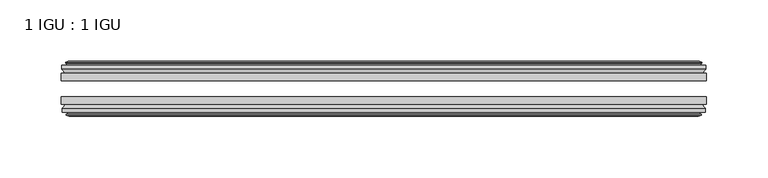
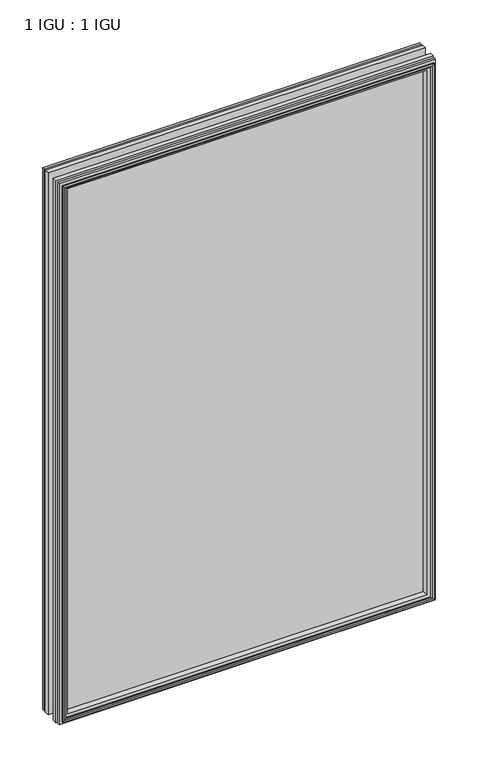
"""IFC4 building model written with IfcOpenShell, lengths in millimetres: plate geometry, 1 IGU : 1 IGU."""

from ifc_helpers import new_model, si_unit, frame, origin, place, context, project, spatial, polyline, outline, extrude, faceted_brep, source, transform, mapped, element, save


def plate_1_igu_1_igu_50ab3d0a(model_context):
    return source(origin(), model_context, "Body", "SolidModel", [
        extrude(outline(polyline([(263.525, -25.8960937), (263.525, -32.2460938), (-263.525, -32.2460938), (-263.525, -25.8960937), (263.525, -25.8960937)])), frame((0.0, 0.0, -12.7), z_axis=(0.0, 0.0, 1.0), x_axis=(1.0, 0.0, 0.0)), (0.0, 0.0, 1.0), 800.1),
        extrude(outline(polyline([(-263.525, -51.2960938), (-263.525, -45.2686737), (263.525, -45.2686737), (263.525, -51.2960938), (-263.525, -51.2960938)])), frame((0.0, 0.0, -12.7), z_axis=(0.0, 0.0, 1.0), x_axis=(1.0, 0.0, 0.0)), (0.0, 0.0, 1.0), 800.1),
        faceted_brep([(-257.937, -60.0262907, 781.812), (-258.318, -57.6460937, 782.193), (-258.318, -57.6460937, -7.493), (-257.937, -60.0262907, -7.112), (-259.3525291, -59.5663575, 783.2275291), (-259.3525291, -59.5663575, -8.5275291), (-259.3525291, -60.3675717, 783.2275291), (-259.3525291, -60.3675717, -8.5275291), (-257.175, -61.0750937, 781.05), (-257.175, -61.0750937, -6.35), (-254.9974709, -60.3675717, 778.8724709), (-254.9974709, -60.3675717, -4.1724709), (-254.9974709, -59.5663575, 778.8724709), (-254.9974709, -59.5663575, -4.1724709), (-256.413, -60.0262907, 780.288), (-256.413, -60.0262907, -5.588), (-256.032, -57.6460937, 779.907), (-256.032, -57.6460937, -5.207), (-249.1072819, -51.2960937, 772.9822819), (-250.825, -57.6460937, 774.7), (-250.825, -57.6460937, 0.0), (-249.1072819, -51.2960937, 1.7177181), (-262.763, -54.6996937, 786.638), (-259.9286578, -51.2960937, 783.8036578), (-259.9286578, -51.2960937, -9.1036578), (-262.763, -54.6996937, -11.938), (-262.763, -57.6460937, 786.638), (-262.763, -57.6460937, -11.938), (258.318, -57.6460938, -7.493), (257.937, -60.0262907, -7.112), (259.3525291, -59.5663575, -8.5275291), (259.3525291, -60.3675717, -8.5275291), (257.175, -61.0750937, -6.35), (254.9974709, -60.3675717, -4.1724709), (254.9974709, -59.5663575, -4.1724709), (256.413, -60.0262907, -5.588), (256.032, -57.6460937, -5.207), (250.825, -57.6460937, 0.0), (249.1072819, -51.2960937, 1.7177181), (259.9286578, -51.2960937, -9.1036578), (262.763, -54.6996937, -11.938), (262.763, -57.6460938, -11.938), (258.318, -57.6460938, 782.193), (257.937, -60.0262907, 781.812), (259.3525291, -59.5663575, 783.2275291), (259.3525291, -60.3675717, 783.2275291), (257.175, -61.0750937, 781.05), (254.9974709, -60.3675717, 778.8724709), (254.9974709, -59.5663575, 778.8724709), (256.413, -60.0262907, 780.288), (256.032, -57.6460937, 779.907), (250.825, -57.6460937, 774.7), (249.1072819, -51.2960937, 772.9822819), (259.9286578, -51.2960937, 783.8036578), (262.763, -54.6996937, 786.638), (262.763, -57.6460938, 786.638)], [[[0, 1, 2, 3]], [[4, 0, 3, 5]], [[6, 4, 5, 7]], [[8, 6, 7, 9]], [[10, 8, 9, 11]], [[12, 10, 11, 13]], [[14, 12, 13, 15]], [[16, 14, 15, 17]], [[18, 19, 20, 21]], [[22, 23, 24, 25]], [[26, 22, 25, 27]], [[3, 2, 28, 29]], [[5, 3, 29, 30]], [[7, 5, 30, 31]], [[9, 7, 31, 32]], [[11, 9, 32, 33]], [[13, 11, 33, 34]], [[15, 13, 34, 35]], [[17, 15, 35, 36]], [[21, 20, 37, 38]], [[25, 24, 39, 40]], [[27, 25, 40, 41]], [[29, 28, 42, 43]], [[30, 29, 43, 44]], [[31, 30, 44, 45]], [[32, 31, 45, 46]], [[33, 32, 46, 47]], [[34, 33, 47, 48]], [[35, 34, 48, 49]], [[36, 35, 49, 50]], [[38, 37, 51, 52]], [[40, 39, 53, 54]], [[41, 40, 54, 55]], [[27, 41, 55, 26], [1, 42, 28, 2]], [[43, 42, 1, 0]], [[44, 43, 0, 4]], [[45, 44, 4, 6]], [[46, 45, 6, 8]], [[47, 46, 8, 10]], [[48, 47, 10, 12]], [[49, 48, 12, 14]], [[50, 49, 14, 16]], [[17, 36, 50, 16], [19, 51, 37, 20]], [[52, 51, 19, 18]], [[23, 53, 39, 24], [21, 38, 52, 18]], [[54, 53, 23, 22]], [[55, 54, 22, 26]]]),
        faceted_brep([(-260.4493578, -25.8960937, 784.3243578), (-263.2837, -22.4924937, 787.1587), (-263.2837, -22.4924937, -12.4587), (-260.4493578, -25.8960937, -9.6243578), (-251.3457, -19.5460937, 775.2207), (-249.6279819, -25.8960937, 773.5029819), (-249.6279819, -25.8960937, 1.1970181), (-251.3457, -19.5460937, -0.5207), (-256.9337, -17.1658968, 780.8087), (-256.5527, -19.5460937, 780.4277), (-256.5527, -19.5460937, -5.7277), (-256.9337, -17.1658968, -6.1087), (-255.5181709, -17.62583, 779.3931709), (-255.5181709, -17.62583, -4.6931709), (-255.5181709, -16.8246158, 779.3931709), (-255.5181709, -16.8246158, -4.6931709), (-257.6957, -16.1170937, 781.5707), (-257.6957, -16.1170937, -6.8707), (-259.8732291, -16.8246158, 783.7482291), (-259.8732291, -16.8246158, -9.0482291), (-259.8732291, -17.62583, 783.7482291), (-259.8732291, -17.62583, -9.0482291), (-258.4577, -17.1658968, 782.3327), (-258.4577, -17.1658968, -7.6327), (-258.8387, -19.5460937, 782.7137), (-258.8387, -19.5460937, -8.0137), (-263.2837, -19.5460937, 787.1587), (-263.2837, -19.5460937, -12.4587), (263.2837, -22.4924937, -12.4587), (260.4493578, -25.8960937, -9.6243578), (249.6279819, -25.8960937, 1.1970181), (251.3457, -19.5460937, -0.5207), (256.5527, -19.5460937, -5.7277), (256.9337, -17.1658968, -6.1087), (255.5181709, -17.62583, -4.6931709), (255.5181709, -16.8246158, -4.6931709), (257.6957, -16.1170937, -6.8707), (259.8732291, -16.8246158, -9.0482291), (259.8732291, -17.62583, -9.0482291), (258.4577, -17.1658968, -7.6327), (258.8387, -19.5460937, -8.0137), (263.2837, -19.5460937, -12.4587), (263.2837, -22.4924937, 787.1587), (260.4493578, -25.8960937, 784.3243578), (249.6279819, -25.8960937, 773.5029819), (251.3457, -19.5460937, 775.2207), (256.5527, -19.5460937, 780.4277), (256.9337, -17.1658968, 780.8087), (255.5181709, -17.62583, 779.3931709), (255.5181709, -16.8246158, 779.3931709), (257.6957, -16.1170937, 781.5707), (259.8732291, -16.8246158, 783.7482291), (259.8732291, -17.62583, 783.7482291), (258.4577, -17.1658968, 782.3327), (258.8387, -19.5460937, 782.7137), (263.2837, -19.5460937, 787.1587)], [[[0, 1, 2, 3]], [[4, 5, 6, 7]], [[8, 9, 10, 11]], [[12, 8, 11, 13]], [[14, 12, 13, 15]], [[16, 14, 15, 17]], [[18, 16, 17, 19]], [[20, 18, 19, 21]], [[22, 20, 21, 23]], [[24, 22, 23, 25]], [[1, 26, 27, 2]], [[3, 2, 28, 29]], [[7, 6, 30, 31]], [[11, 10, 32, 33]], [[13, 11, 33, 34]], [[15, 13, 34, 35]], [[17, 15, 35, 36]], [[19, 17, 36, 37]], [[21, 19, 37, 38]], [[23, 21, 38, 39]], [[25, 23, 39, 40]], [[2, 27, 41, 28]], [[29, 28, 42, 43]], [[31, 30, 44, 45]], [[33, 32, 46, 47]], [[34, 33, 47, 48]], [[35, 34, 48, 49]], [[36, 35, 49, 50]], [[37, 36, 50, 51]], [[38, 37, 51, 52]], [[39, 38, 52, 53]], [[40, 39, 53, 54]], [[28, 41, 55, 42]], [[43, 42, 1, 0]], [[3, 29, 43, 0], [5, 44, 30, 6]], [[45, 44, 5, 4]], [[9, 46, 32, 10], [7, 31, 45, 4]], [[47, 46, 9, 8]], [[48, 47, 8, 12]], [[49, 48, 12, 14]], [[50, 49, 14, 16]], [[51, 50, 16, 18]], [[52, 51, 18, 20]], [[53, 52, 20, 22]], [[54, 53, 22, 24]], [[26, 55, 41, 27], [25, 40, 54, 24]], [[42, 55, 26, 1]]]),
    ])


if __name__ == "__main__":
    model = new_model("IFC4")
    model_context = context("Model", 3, world=origin())
    ifc_project = project(units=[si_unit("LENGTHUNIT", "METRE", prefix="MILLI")], contexts=[model_context])
    site = spatial("IfcSite", under=ifc_project)
    building = spatial("IfcBuilding", under=site)
    placement = place(None, origin())
    plate_1_igu_1_igu_shape = plate_1_igu_1_igu_50ab3d0a(model_context)
    element("IfcPlate", 1, ObjectType="1 IGU : 1 IGU", at=placement, inside=building, context=model_context, shape_type="MappedRepresentation", body=[
        mapped(plate_1_igu_1_igu_shape, transform((0.0, 0.0, 0.0), x_axis=(1.0, 0.0, 0.0), y_axis=(0.0, 1.0, 0.0), z_axis=(0.0, 0.0, 1.0))),
    ])
    save(model, "model.ifc")
